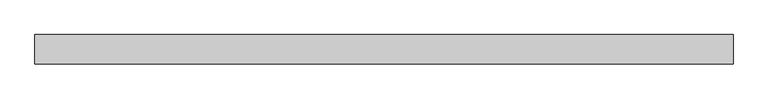
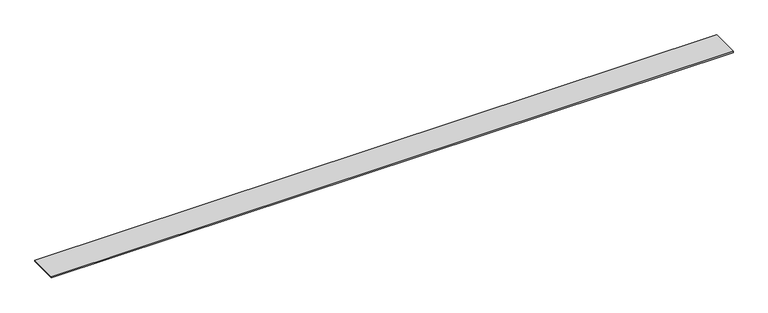
"""IFC4 building model written with IfcOpenShell, lengths in millimetres: proxy geometry."""

from ifc_helpers import new_model, si_unit, origin, origin_with_axes, place, context, project, spatial, polyline, outline, extrude, source, transform, mapped, element, save


def generic_models_f437a473(model_context):
    return source(origin(), model_context, "Body", "SweptSolid", [
        extrude(outline(polyline([(1687.5, 127.0), (1687.5, 55.88), (0.0, 55.88), (0.0, 127.0), (1687.5, 127.0)])), origin_with_axes(), (0.0, 0.0, 1.0), 3.175),
    ])


if __name__ == "__main__":
    model = new_model("IFC4")
    model_context = context("Model", 3, world=origin())
    ifc_project = project(units=[si_unit("LENGTHUNIT", "METRE", prefix="MILLI")], contexts=[model_context])
    site = spatial("IfcSite", under=ifc_project)
    building = spatial("IfcBuilding", under=site)
    placement = place(None, origin())
    generic_models_shape = generic_models_f437a473(model_context)
    element("IfcBuildingElementProxy", 1, Name="Generic Models", at=placement, inside=building, context=model_context, shape_type="MappedRepresentation", body=[
        mapped(generic_models_shape, transform((0.0, 0.0, 0.0), x_axis=(1.0, 0.0, 0.0), y_axis=(0.0, 1.0, 0.0), z_axis=(0.0, 0.0, 1.0))),
    ])
    save(model, "model.ifc")
